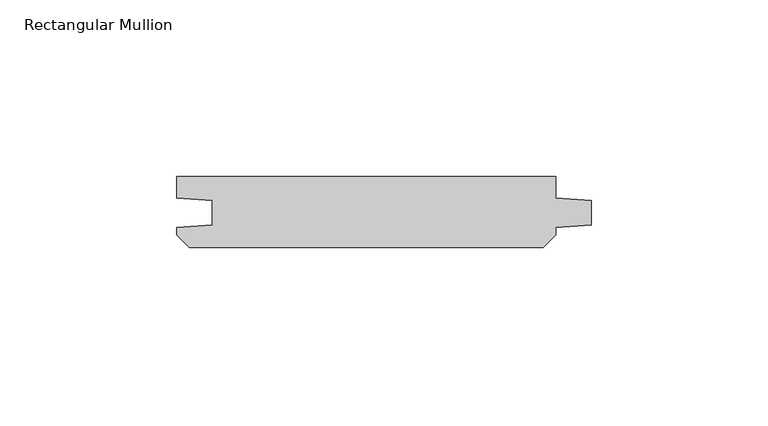
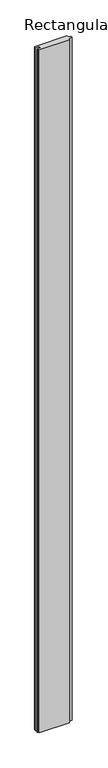
"""IFC4 building model written with IfcOpenShell, lengths in millimetres: member geometry, Rectangular Mullion."""

from ifc_helpers import new_model, si_unit, frame, origin, place, context, project, spatial, polyline, outline, extrude, source, transform, mapped, element, save


def rectangular_mullion_35f6230f(model_context):
    return source(origin(), model_context, "Body", "SweptSolid", [
        extrude(outline(polyline([(-10.0, 0.0), (-10.0, -5.9651903), (0.0, -6.6644584), (0.0, -13.6642442), (-10.0, -14.3635124), (-10.0, -16.5283124), (-13.4716876, -20.0), (-113.5283124, -20.0), (-117.0, -16.5283124), (-117.0, -14.3635124), (-107.0, -13.6642442), (-107.0, -6.6644584), (-117.0, -5.9651903), (-117.0, 0.0), (-10.0, 0.0)])), frame((0.0, 0.0, -2400.0), z_axis=(0.0, 0.0, 1.0), x_axis=(1.0, 0.0, 0.0)), (0.0, 0.0, 1.0), 2400.0),
    ])


if __name__ == "__main__":
    model = new_model("IFC4")
    model_context = context("Model", 3, world=origin())
    ifc_project = project(units=[si_unit("LENGTHUNIT", "METRE", prefix="MILLI")], contexts=[model_context])
    site = spatial("IfcSite", under=ifc_project)
    building = spatial("IfcBuilding", under=site)
    placement = place(None, origin())
    rectangular_mullion_shape = rectangular_mullion_35f6230f(model_context)
    element("IfcMember", 1, ObjectType="Rectangular Mullion", at=placement, inside=building, context=model_context, shape_type="MappedRepresentation", body=[
        mapped(rectangular_mullion_shape, transform((0.0, 0.0, 0.0), x_axis=(1.0, 0.0, 0.0), y_axis=(0.0, 1.0, 0.0), z_axis=(0.0, 0.0, 1.0))),
    ])
    save(model, "model.ifc")
